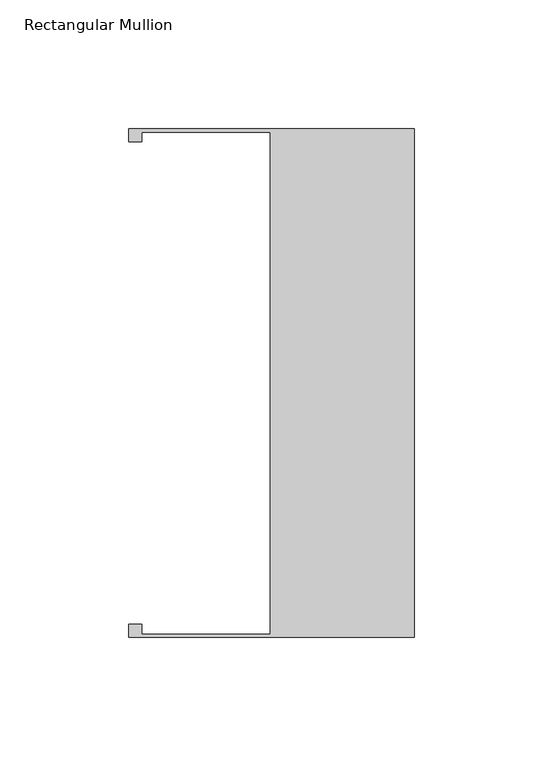
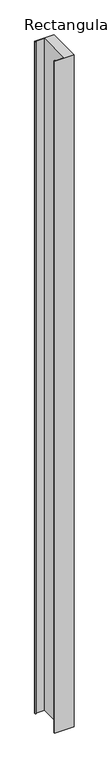
"""IFC4 building model written with IfcOpenShell, lengths in millimetres: member geometry, Rectangular Mullion."""

from ifc_helpers import new_model, si_unit, frame, origin, place, context, project, spatial, polyline, outline, extrude, source, transform, mapped, element, save


def rectangular_mullion_238e6bb9(model_context):
    return source(origin(), model_context, "Body", "SweptSolid", [
        extrude(outline(polyline([(0.0, -98.7226563), (-110.744, -98.7226563), (-110.744, -93.6501671), (-105.664, -93.6501671), (-105.664, -97.4526562), (-55.739, -97.4526562), (-55.739, 97.4523096), (-105.664, 97.4523096), (-105.664, 93.6503096), (-110.744, 93.6503096), (-110.744, 98.7226563), (0.0, 98.7226563), (0.0, -98.7226563)])), frame((0.0, 0.0, -4064.0), z_axis=(0.0, 0.0, 1.0), x_axis=(1.0, 0.0, 0.0)), (0.0, 0.0, 1.0), 4064.0),
    ])


if __name__ == "__main__":
    model = new_model("IFC4")
    model_context = context("Model", 3, world=origin())
    ifc_project = project(units=[si_unit("LENGTHUNIT", "METRE", prefix="MILLI")], contexts=[model_context])
    site = spatial("IfcSite", under=ifc_project)
    building = spatial("IfcBuilding", under=site)
    placement = place(None, origin())
    rectangular_mullion_shape = rectangular_mullion_238e6bb9(model_context)
    element("IfcMember", 1, ObjectType="Rectangular Mullion", at=placement, inside=building, context=model_context, shape_type="MappedRepresentation", body=[
        mapped(rectangular_mullion_shape, transform((0.0, 0.0, 0.0), x_axis=(1.0, 0.0, 0.0), y_axis=(0.0, 1.0, 0.0), z_axis=(0.0, 0.0, 1.0))),
    ])
    save(model, "model.ifc")
